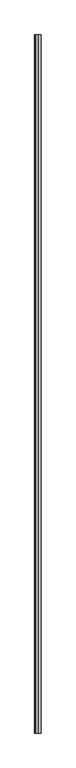
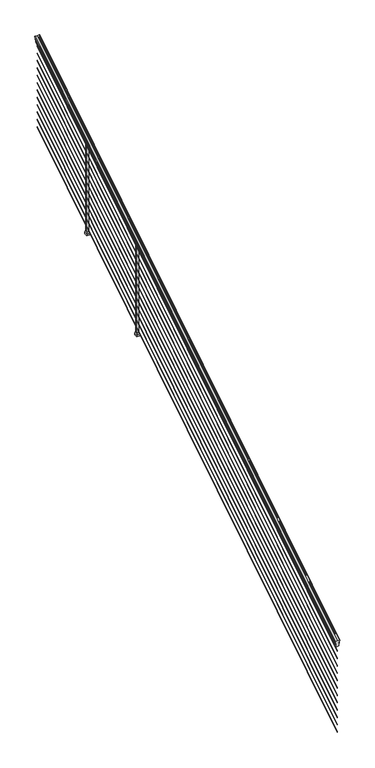
"""IFC4 building model written with IfcOpenShell, lengths in millimetres: railing geometry."""

from ifc_helpers import new_model, si_unit, frame, origin, place, context, project, spatial, polyline, ellipse_curve, outline, extrude, faceted_brep, source, transform, mapped, element, save
from ifc_brep_helpers import plane_surface, cylinder_surface, revolved_surface, advanced_brep


def railing_138e7e8f(model_context):
    return source(origin(), model_context, "Body", "SolidModel", [
        advanced_brep(
        [(8349.0704765, -103155.6628453, 1133.2070492), (8349.0704765, -103155.6628453, 1135.4335658), (8350.2006628, -103155.6628453, 1137.2758543), (8350.2006628, -103155.6628453, 1145.7876358), (8349.5514064, -103155.6628453, 1148.6572588), (8352.0514064, -103155.6628453, 1153.7635509), (8353.4607489, -103155.6628453, 1155.7442021), (8353.8626479, -103155.6628453, 1157.0469579), (8353.8626478, -103155.6628453, 1158.6274846), (8352.3092005, -103155.6628453, 1160.4593836), (8331.6376478, -103155.6628453, 1160.4593836), (8310.966095, -103155.6628453, 1160.4593836), (8309.4126478, -103155.6628453, 1158.6274846), (8309.4126478, -103155.6628453, 1157.0469579), (8309.8145467, -103155.6628453, 1155.7442021), (8311.2238891, -103155.6628453, 1153.7635509), (8313.7238891, -103155.6628453, 1148.6572588), (8313.0746327, -103155.6628453, 1145.7876358), (8313.0746327, -103155.6628453, 1137.2758543), (8314.204819, -103155.6628453, 1135.4335658), (8314.204819, -103155.6628453, 1133.2070492), (8316.7786478, -103155.6628453, 1133.2070492), (8316.7786478, -103155.6628453, 1120.825537), (8315.7626478, -103155.6628453, 1119.6274214), (8315.7626478, -103155.6628453, 1104.9), (8347.5126478, -103155.6628453, 1104.9), (8347.5126478, -103155.6628453, 1119.441318), (8346.4966478, -103155.6628453, 1120.6394336), (8346.4966478, -103155.6628453, 1133.2070492), (8349.0704765, -98278.8628453, 4181.2070492), (8346.4966478, -98278.8628453, 4181.2070492), (8346.4966478, -98278.8628453, 4168.6394336), (8347.5126478, -98278.8628453, 4167.441318), (8347.5126478, -98278.8628453, 4152.9), (8315.7626478, -98278.8628453, 4152.9), (8315.7626478, -98278.8628453, 4167.6274214), (8316.7786478, -98278.8628453, 4168.825537), (8316.7786478, -98278.8628453, 4181.2070492), (8314.204819, -98278.8628453, 4181.2070492), (8314.204819, -98278.8628453, 4183.4335658), (8313.0746327, -98278.8628453, 4185.2758543), (8313.0746327, -98278.8628453, 4193.7876358), (8313.7238891, -98278.8628453, 4196.6572588), (8311.2238891, -98278.8628453, 4201.7635509), (8309.8145467, -98278.8628453, 4203.7442021), (8309.4126477, -98278.8628453, 4205.0469579), (8309.4126478, -98278.8628453, 4206.6274846), (8310.966095, -98278.8628453, 4208.4593836), (8331.6376478, -98278.8628453, 4208.4593836), (8352.3092005, -98278.8628453, 4208.4593836), (8353.8626478, -98278.8628453, 4206.6274846), (8353.8626478, -98278.8628453, 4205.0469579), (8353.4607489, -98278.8628453, 4203.7442021), (8352.0514064, -98278.8628453, 4201.7635509), (8349.5514064, -98278.8628453, 4196.6572588), (8350.2006628, -98278.8628453, 4193.7876358), (8350.2006628, -98278.8628453, 4185.2758543), (8349.0704765, -98278.8628453, 4183.4335658)],
        [
            (0, 1),
            (1, 2, ellipse_curve(frame((8342.7557232, -103155.6628453, 1142.2239405), z_axis=(0.0, -1.0, 0.0), x_axis=(0.0, 0.0, -1.0)), 10.0777926, 8.545951)),
            (2, 3, ellipse_curve(frame((8343.1927862, -103155.6628453, 1141.5317451), z_axis=(0.0, -1.0, 0.0), x_axis=(0.0, 0.0, -1.0)), 9.2955186, 7.882584)),
            (3, 4, ellipse_curve(frame((8353.7061103, -103155.6628453, 1148.4275077), z_axis=(0.0, 1.0, 0.0), x_axis=(0.0, 0.0, 1.0)), 4.9048088, 4.1592695)),
            (4, 5, ellipse_curve(frame((8354.9934169, -103155.6628453, 1148.3563208), z_axis=(0.0, 1.0, 0.0), x_axis=(0.0, 0.0, 1.0)), 6.4245301, 5.4479907)),
            (5, 6, ellipse_curve(frame((8353.7602584, -103155.6628453, 1153.7602333), z_axis=(0.0, 1.0, 0.0), x_axis=(0.0, 0.0, 1.0)), 2.0151625, 1.7088543)),
            (6, 7, ellipse_curve(frame((8352.1433583, -103155.6628453, 1157.0469579), z_axis=(0.0, -1.0, 0.0), x_axis=(0.0, 0.0, -1.0)), 2.0274681, 1.7192895)),
            (7, 8),
            (8, 9, ellipse_curve(frame((8352.3092005, -103155.6628453, 1158.6274846), z_axis=(0.0, -1.0, 0.0), x_axis=(0.0, 0.0, -1.0)), 1.831899, 1.5534472)),
            (9, 10),
            (10, 11),
            (11, 12, ellipse_curve(frame((8310.966095, -103155.6628453, 1158.6274846), z_axis=(0.0, -1.0, 0.0), x_axis=(0.0, 0.0, -1.0)), 1.831899, 1.5534472)),
            (12, 13),
            (13, 14, ellipse_curve(frame((8311.1319372, -103155.6628453, 1157.0469579), z_axis=(0.0, -1.0, 0.0), x_axis=(0.0, 0.0, -1.0)), 2.0274681, 1.7192895)),
            (14, 15, ellipse_curve(frame((8309.5150371, -103155.6628453, 1153.7602333), z_axis=(0.0, 1.0, 0.0), x_axis=(0.0, 0.0, 1.0)), 2.0151625, 1.7088543)),
            (15, 16, ellipse_curve(frame((8308.2818787, -103155.6628453, 1148.3563208), z_axis=(0.0, 1.0, 0.0), x_axis=(0.0, 0.0, 1.0)), 6.4245301, 5.4479907)),
            (16, 17, ellipse_curve(frame((8309.5691852, -103155.6628453, 1148.4275077), z_axis=(0.0, 1.0, 0.0), x_axis=(0.0, 0.0, 1.0)), 4.9048088, 4.1592695)),
            (17, 18, ellipse_curve(frame((8320.0825093, -103155.6628453, 1141.5317451), z_axis=(0.0, -1.0, 0.0), x_axis=(0.0, 0.0, -1.0)), 9.2955186, 7.882584)),
            (18, 19, ellipse_curve(frame((8320.5195723, -103155.6628453, 1142.2239405), z_axis=(0.0, -1.0, 0.0), x_axis=(0.0, 0.0, -1.0)), 10.0777926, 8.545951)),
            (19, 20),
            (20, 21, ellipse_curve(frame((8315.4917334, -103155.6628453, 1133.2070492), z_axis=(0.0, -1.0, 0.0), x_axis=(0.0, 0.0, -1.0)), 1.5175907, 1.2869144)),
            (21, 22),
            (22, 23),
            (23, 24),
            (24, 25),
            (25, 26),
            (26, 27),
            (27, 28),
            (28, 0, ellipse_curve(frame((8347.7835621, -103155.6628453, 1133.2070492), z_axis=(0.0, -1.0, 0.0), x_axis=(0.0, 0.0, -1.0)), 1.5175907, 1.2869144)),
            (29, 30, ellipse_curve(frame((8347.7835621, -98278.8628453, 4181.2070492), z_axis=(0.0, 1.0, 0.0), x_axis=(0.0, 0.0, -1.0)), 1.5175907, 1.2869144)),
            (30, 31),
            (31, 32),
            (32, 33),
            (33, 34),
            (34, 35),
            (35, 36),
            (36, 37),
            (37, 38, ellipse_curve(frame((8315.4917334, -98278.8628453, 4181.2070492), z_axis=(0.0, 1.0, 0.0), x_axis=(0.0, 0.0, -1.0)), 1.5175907, 1.2869144)),
            (38, 39),
            (39, 40, ellipse_curve(frame((8320.5195723, -98278.8628453, 4190.2239405), z_axis=(0.0, 1.0, 0.0), x_axis=(0.0, 0.0, -1.0)), 10.0777926, 8.545951)),
            (40, 41, ellipse_curve(frame((8320.0825093, -98278.8628453, 4189.5317451), z_axis=(0.0, 1.0, 0.0), x_axis=(0.0, 0.0, -1.0)), 9.2955186, 7.882584)),
            (41, 42, ellipse_curve(frame((8309.5691852, -98278.8628453, 4196.4275077), z_axis=(0.0, -1.0, 0.0), x_axis=(0.0, 0.0, 1.0)), 4.9048088, 4.1592695)),
            (42, 43, ellipse_curve(frame((8308.2818787, -98278.8628453, 4196.3563208), z_axis=(0.0, -1.0, 0.0), x_axis=(0.0, 0.0, 1.0)), 6.4245301, 5.4479907)),
            (43, 44, ellipse_curve(frame((8309.5150371, -98278.8628453, 4201.7602333), z_axis=(0.0, -1.0, 0.0), x_axis=(0.0, 0.0, 1.0)), 2.0151625, 1.7088543)),
            (44, 45, ellipse_curve(frame((8311.1319372, -98278.8628453, 4205.0469579), z_axis=(0.0, 1.0, 0.0), x_axis=(0.0, 0.0, -1.0)), 2.0274681, 1.7192895)),
            (45, 46),
            (46, 47, ellipse_curve(frame((8310.966095, -98278.8628453, 4206.6274846), z_axis=(0.0, 1.0, 0.0), x_axis=(0.0, 0.0, -1.0)), 1.831899, 1.5534472)),
            (47, 48),
            (48, 49),
            (49, 50, ellipse_curve(frame((8352.3092005, -98278.8628453, 4206.6274846), z_axis=(0.0, 1.0, 0.0), x_axis=(0.0, 0.0, -1.0)), 1.831899, 1.5534472)),
            (50, 51),
            (51, 52, ellipse_curve(frame((8352.1433583, -98278.8628453, 4205.0469579), z_axis=(0.0, 1.0, 0.0), x_axis=(0.0, 0.0, -1.0)), 2.0274681, 1.7192895)),
            (52, 53, ellipse_curve(frame((8353.7602584, -98278.8628453, 4201.7602333), z_axis=(0.0, -1.0, 0.0), x_axis=(0.0, 0.0, 1.0)), 2.0151625, 1.7088543)),
            (53, 54, ellipse_curve(frame((8354.9934169, -98278.8628453, 4196.3563208), z_axis=(0.0, -1.0, 0.0), x_axis=(0.0, 0.0, 1.0)), 6.4245301, 5.4479907)),
            (54, 55, ellipse_curve(frame((8353.7061103, -98278.8628453, 4196.4275077), z_axis=(0.0, -1.0, 0.0), x_axis=(0.0, 0.0, 1.0)), 4.9048088, 4.1592695)),
            (55, 56, ellipse_curve(frame((8343.1927862, -98278.8628453, 4189.5317451), z_axis=(0.0, 1.0, 0.0), x_axis=(0.0, 0.0, -1.0)), 9.2955186, 7.882584)),
            (56, 57, ellipse_curve(frame((8342.7557232, -98278.8628453, 4190.2239405), z_axis=(0.0, 1.0, 0.0), x_axis=(0.0, 0.0, -1.0)), 10.0777926, 8.545951)),
            (57, 29),
            (28, 30),
            (29, 0),
            (27, 31),
            (26, 32),
            (25, 33),
            (24, 34),
            (23, 35),
            (22, 36),
            (21, 37),
            (20, 38),
            (19, 39),
            (18, 40),
            (17, 41),
            (16, 42),
            (15, 43),
            (14, 44),
            (13, 45),
            (12, 46),
            (11, 47),
            (10, 48),
            (9, 49),
            (8, 50),
            (7, 51),
            (6, 52),
            (5, 53),
            (4, 54),
            (3, 55),
            (2, 56),
            (1, 57),
        ],
        [
            plane_surface(frame((8331.6376478, -103155.6628453, 1104.9), z_axis=(0.0, -1.0, 0.0), x_axis=(0.0, 0.0, 1.0))),
            plane_surface(frame((8331.6376478, -98278.8628453, 4152.9), z_axis=(0.0, 1.0, 0.0), x_axis=(0.0, 0.0, 1.0))),
            cylinder_surface(frame((8347.7835621, -103168.3851146, 1125.2556309), z_axis=(0.0, -0.8479983040051253, -0.5299989400031204), x_axis=(-1.0, 0.0, 0.0)), 1.2869144),
            plane_surface(frame((8346.4966478, -103155.6628453, 1120.6394336), z_axis=(1.0000000000000002, 0.0, 0.0), x_axis=(0.0, 0.8479983040051253, 0.5299989400031204))),
            plane_surface(frame((8347.5126478, -103155.6628453, 1119.441318), z_axis=(0.7071067811865389, -0.374765844497894, 0.5996253511967226), x_axis=(0.0, 0.8479983040051253, 0.5299989400031204))),
            plane_surface(frame((8347.5126478, -103155.6628453, 1104.9), z_axis=(1.0, 0.0, 0.0), x_axis=(0.0, 0.8479983040051252, 0.5299989400031204))),
            plane_surface(frame((8315.7626478, -103155.6628453, 1104.9), z_axis=(0.0, 0.5299989400031204, -0.8479983040051252), x_axis=(0.0, 0.8479983040051252, 0.5299989400031204))),
            plane_surface(frame((8315.7626478, -103155.6628453, 1119.6274214), z_axis=(-1.0000000000000002, 0.0, 0.0), x_axis=(0.0, 0.8479983040051253, 0.5299989400031204))),
            plane_surface(frame((8316.7786478, -103155.6628453, 1120.825537), z_axis=(-0.7071067811865437, -0.37476584449788986, 0.5996253511967191), x_axis=(0.0, 0.8479983040051252, 0.5299989400031204))),
            plane_surface(frame((8316.7786478, -103155.6628453, 1133.2070492), z_axis=(-1.0, 0.0, 0.0), x_axis=(0.0, 0.8479983040051252, 0.5299989400031204))),
            cylinder_surface(frame((8315.4917334, -103168.3851146, 1125.2556309), z_axis=(0.0, -0.8479983040051253, -0.5299989400031204), x_axis=(1.0, 0.0, 0.0)), 1.2869144),
            plane_surface(frame((8314.204819, -103155.6628453, 1135.4335658), z_axis=(-1.0, 0.0, 0.0), x_axis=(0.0, 0.8479983040051252, 0.5299989400031204))),
            cylinder_surface(frame((8320.5195723, -103172.43765, 1131.7396876), z_axis=(0.0, -0.8479983040051253, -0.5299989400031204), x_axis=(1.0, 0.0, 0.0)), 8.545951),
            cylinder_surface(frame((8320.0825093, -103172.1265509, 1131.241929), z_axis=(0.0, -0.8479983040051253, -0.5299989400031204), x_axis=(1.0, 0.0, 0.0)), 7.882584),
            revolved_surface(polyline([(8313.7284547, -98276.65843685035, 4197.805262980558), (8313.7284547, -103157.86725374944, 1147.0497524191019)]), (8309.5691852, -103175.2257701, 1136.2006797), (0.0, 0.8479983040051253, 0.5299989400031204)),
            revolved_surface(polyline([(8313.7298694, -98275.97541603574, 4198.160964077185), (8313.7298694, -103158.5502745528, 1146.551677504493)]), (8308.2818787, -103175.193776, 1136.1494891), (0.0, 0.8479983040051253, 0.5299989400031204)),
            revolved_surface(polyline([(8311.2238914, -98277.95715429979, 4202.326290199658), (8311.2238914, -103156.56853632248, 1153.1941764359544)]), (8309.5150371, -103177.6225007, 1140.0354487), (0.0, 0.8479983040051253, 0.5299989400031204)),
            cylinder_surface(frame((8311.1319372, -103179.0996803, 1142.398936), z_axis=(0.0, -0.8479983040051253, -0.5299989400031204), x_axis=(1.0, 0.0, 0.0)), 1.7192895),
            plane_surface(frame((8309.4126478, -103155.6628453, 1158.6274846), z_axis=(-1.0, 0.0, 0.0), x_axis=(0.0, 0.8479983040051252, 0.5299989400031204))),
            cylinder_surface(frame((8310.966095, -103179.8100294, 1143.5354945), z_axis=(0.0, -0.8479983040051253, -0.5299989400031204), x_axis=(1.0, 0.0, 0.0)), 1.5534472),
            plane_surface(frame((8331.6376478, -103155.6628453, 1160.4593836), z_axis=(0.0, -0.5299989400031204, 0.8479983040051252), x_axis=(0.0, 0.8479983040051252, 0.5299989400031204))),
            plane_surface(frame((8352.3092005, -103155.6628453, 1160.4593836), z_axis=(0.0, -0.5299989400031204, 0.8479983040051252), x_axis=(0.0, 0.8479983040051252, 0.5299989400031204))),
            cylinder_surface(frame((8352.3092005, -103179.8100294, 1143.5354945), z_axis=(0.0, -0.8479983040051253, -0.5299989400031204), x_axis=(-1.0, 0.0, 0.0)), 1.5534472),
            plane_surface(frame((8353.8626478, -103155.6628453, 1157.0469579), z_axis=(1.0000000000000002, 0.0, 0.0), x_axis=(0.0, 0.8479983040051253, 0.5299989400031204))),
            cylinder_surface(frame((8352.1433583, -103179.0996803, 1142.398936), z_axis=(0.0, -0.8479983040051253, -0.5299989400031204), x_axis=(-1.0, 0.0, 0.0)), 1.7192895),
            revolved_surface(polyline([(8352.051404099999, -98277.95715429979, 4202.326290199658), (8352.051404099999, -103156.56853632248, 1153.1941764359544)]), (8353.7602584, -103177.6225007, 1140.0354487), (0.0, 0.8479983040051253, 0.5299989400031204)),
            revolved_surface(polyline([(8349.5454262, -98275.97541603574, 4198.160964077185), (8349.5454262, -103158.5502745528, 1146.551677504493)]), (8354.9934169, -103175.193776, 1136.1494891), (0.0, 0.8479983040051253, 0.5299989400031204)),
            revolved_surface(polyline([(8349.5468408, -98276.65843685035, 4197.805262980558), (8349.5468408, -103157.86725374944, 1147.0497524191019)]), (8353.7061103, -103175.2257701, 1136.2006797), (0.0, 0.8479983040051253, 0.5299989400031204)),
            cylinder_surface(frame((8343.1927862, -103172.1265509, 1131.241929), z_axis=(0.0, -0.8479983040051253, -0.5299989400031204), x_axis=(-1.0, 0.0, 0.0)), 7.882584),
            cylinder_surface(frame((8342.7557232, -103172.43765, 1131.7396876), z_axis=(0.0, -0.8479983040051253, -0.5299989400031204), x_axis=(-1.0, 0.0, 0.0)), 8.545951),
            plane_surface(frame((8349.0704765, -103155.6628453, 1133.2070492), z_axis=(1.0, 0.0, 0.0), x_axis=(0.0, 0.8479983040051252, 0.5299989400031204))),
        ],
        [
            (0, [[1, 2, 3, 4, 5, 6, 7, 8, 9, 10, 11, 12, 13, 14, 15, 16, 17, 18, 19, 20, 21, 22, 23, 24, 25, 26, 27, 28, 29]]),
            (1, [[30, 31, 32, 33, 34, 35, 36, 37, 38, 39, 40, 41, 42, 43, 44, 45, 46, 47, 48, 49, 50, 51, 52, 53, 54, 55, 56, 57, 58]]),
            (2, [[-29, 59, -30, 60]]),
            (3, [[-28, 61, -31, -59]]),
            (4, [[-27, 62, -32, -61]]),
            (5, [[-26, 63, -33, -62]]),
            (6, [[-25, 64, -34, -63]]),
            (7, [[-24, 65, -35, -64]]),
            (8, [[-23, 66, -36, -65]]),
            (9, [[-22, 67, -37, -66]]),
            (10, [[-21, 68, -38, -67]]),
            (11, [[-20, 69, -39, -68]]),
            (12, [[-19, 70, -40, -69]]),
            (13, [[-18, 71, -41, -70]]),
            (14, [[-17, 72, -42, -71]]),
            (15, [[-16, 73, -43, -72]]),
            (16, [[-15, 74, -44, -73]]),
            (17, [[-14, 75, -45, -74]]),
            (18, [[-13, 76, -46, -75]]),
            (19, [[-12, 77, -47, -76]]),
            (20, [[-11, 78, -48, -77]]),
            (21, [[-10, 79, -49, -78]]),
            (22, [[-9, 80, -50, -79]]),
            (23, [[-8, 81, -51, -80]]),
            (24, [[-7, 82, -52, -81]]),
            (25, [[-6, 83, -53, -82]]),
            (26, [[-5, 84, -54, -83]]),
            (27, [[-4, 85, -55, -84]]),
            (28, [[-3, 86, -56, -85]]),
            (29, [[-2, 87, -57, -86]]),
            (30, [[-1, -60, -58, -87]]),
        ],
    ),
        advanced_brep(
        [(8330.0501478, -103155.6628453, 255.524), (8331.6376478, -103155.6628453, 253.6519444), (8333.2251478, -103155.6628453, 255.524), (8331.6376478, -103155.6628453, 257.3960556), (8330.0501478, -98278.8628453, 3303.524), (8331.6376478, -98278.8628453, 3305.3960556), (8333.2251478, -98278.8628453, 3303.524), (8331.6376478, -98278.8628453, 3301.6519444)],
        [
            (0, 1, ellipse_curve(frame((8331.6376478, -103155.6628453, 255.524), z_axis=(0.0, -1.0, 0.0), x_axis=(0.0, 0.0, -1.0)), 1.8720556, 1.5875)),
            (1, 2, ellipse_curve(frame((8331.6376478, -103155.6628453, 255.524), z_axis=(0.0, -1.0, 0.0), x_axis=(0.0, 0.0, -1.0)), 1.8720556, 1.5875)),
            (2, 3, ellipse_curve(frame((8331.6376478, -103155.6628453, 255.524), z_axis=(0.0, -1.0, 0.0), x_axis=(0.0, 0.0, -1.0)), 1.8720556, 1.5875)),
            (3, 0, ellipse_curve(frame((8331.6376478, -103155.6628453, 255.524), z_axis=(0.0, -1.0, 0.0), x_axis=(0.0, 0.0, -1.0)), 1.8720556, 1.5875)),
            (4, 5, ellipse_curve(frame((8331.6376478, -98278.8628453, 3303.524), z_axis=(0.0, 1.0, 0.0), x_axis=(0.0, 0.0, -1.0)), 1.8720556, 1.5875)),
            (5, 6, ellipse_curve(frame((8331.6376478, -98278.8628453, 3303.524), z_axis=(0.0, 1.0, 0.0), x_axis=(0.0, 0.0, -1.0)), 1.8720556, 1.5875)),
            (6, 7, ellipse_curve(frame((8331.6376478, -98278.8628453, 3303.524), z_axis=(0.0, 1.0, 0.0), x_axis=(0.0, 0.0, -1.0)), 1.8720556, 1.5875)),
            (7, 4, ellipse_curve(frame((8331.6376478, -98278.8628453, 3303.524), z_axis=(0.0, 1.0, 0.0), x_axis=(0.0, 0.0, -1.0)), 1.8720556, 1.5875)),
            (3, 5),
            (4, 0),
            (2, 6),
            (1, 7),
        ],
        [
            plane_surface(frame((8331.6376478, -103155.6628453, 255.524), z_axis=(0.0, -1.0, 0.0), x_axis=(0.0, 0.0, 1.0))),
            plane_surface(frame((8331.6376478, -98278.8628453, 3303.524), z_axis=(0.0, 1.0, 0.0), x_axis=(0.0, 0.0, 1.0))),
            cylinder_surface(frame((8331.6376478, -103155.6628453, 255.524), z_axis=(0.0, -0.8479983040051253, -0.5299989400031204), x_axis=(-1.0, 0.0, 0.0)), 1.5875),
        ],
        [
            (0, [[1, 2, 3, 4]]),
            (1, [[5, 6, 7, 8]]),
            (2, [[-4, 9, -5, 10]]),
            (2, [[-3, 11, -6, -9]]),
            (2, [[-2, 12, -7, -11]]),
            (2, [[-1, -10, -8, -12]]),
        ],
    ),
        advanced_brep(
        [(8330.0501478, -103155.6628453, 328.676), (8331.6376478, -103155.6628453, 326.8039444), (8333.2251478, -103155.6628453, 328.676), (8331.6376478, -103155.6628453, 330.5480556), (8330.0501478, -98278.8628453, 3376.676), (8331.6376478, -98278.8628453, 3378.5480556), (8333.2251478, -98278.8628453, 3376.676), (8331.6376478, -98278.8628453, 3374.8039444)],
        [
            (0, 1, ellipse_curve(frame((8331.6376478, -103155.6628453, 328.676), z_axis=(0.0, -1.0, 0.0), x_axis=(0.0, 0.0, -1.0)), 1.8720556, 1.5875)),
            (1, 2, ellipse_curve(frame((8331.6376478, -103155.6628453, 328.676), z_axis=(0.0, -1.0, 0.0), x_axis=(0.0, 0.0, -1.0)), 1.8720556, 1.5875)),
            (2, 3, ellipse_curve(frame((8331.6376478, -103155.6628453, 328.676), z_axis=(0.0, -1.0, 0.0), x_axis=(0.0, 0.0, -1.0)), 1.8720556, 1.5875)),
            (3, 0, ellipse_curve(frame((8331.6376478, -103155.6628453, 328.676), z_axis=(0.0, -1.0, 0.0), x_axis=(0.0, 0.0, -1.0)), 1.8720556, 1.5875)),
            (4, 5, ellipse_curve(frame((8331.6376478, -98278.8628453, 3376.676), z_axis=(0.0, 1.0, 0.0), x_axis=(0.0, 0.0, -1.0)), 1.8720556, 1.5875)),
            (5, 6, ellipse_curve(frame((8331.6376478, -98278.8628453, 3376.676), z_axis=(0.0, 1.0, 0.0), x_axis=(0.0, 0.0, -1.0)), 1.8720556, 1.5875)),
            (6, 7, ellipse_curve(frame((8331.6376478, -98278.8628453, 3376.676), z_axis=(0.0, 1.0, 0.0), x_axis=(0.0, 0.0, -1.0)), 1.8720556, 1.5875)),
            (7, 4, ellipse_curve(frame((8331.6376478, -98278.8628453, 3376.676), z_axis=(0.0, 1.0, 0.0), x_axis=(0.0, 0.0, -1.0)), 1.8720556, 1.5875)),
            (0, 4),
            (7, 1),
            (6, 2),
            (5, 3),
        ],
        [
            plane_surface(frame((8331.6376478, -103155.6628453, 328.676), z_axis=(0.0, -1.0, 0.0), x_axis=(0.0, 0.0, 1.0))),
            plane_surface(frame((8331.6376478, -98278.8628453, 3376.676), z_axis=(0.0, 1.0, 0.0), x_axis=(0.0, 0.0, 1.0))),
            cylinder_surface(frame((8331.6376478, -103155.6628453, 328.676), z_axis=(0.0, -0.8479983040051253, -0.5299989400031204), x_axis=(-1.0, 0.0, 0.0)), 1.5875),
        ],
        [
            (0, [[1, 2, 3, 4]]),
            (1, [[5, 6, 7, 8]]),
            (2, [[-1, 9, -8, 10]]),
            (2, [[-2, -10, -7, 11]]),
            (2, [[-3, -11, -6, 12]]),
            (2, [[-4, -12, -5, -9]]),
        ],
    ),
        advanced_brep(
        [(8330.0501478, -103155.6628453, 401.574), (8331.6376478, -103155.6628453, 399.7019444), (8333.2251478, -103155.6628453, 401.574), (8331.6376478, -103155.6628453, 403.4460556), (8330.0501478, -98278.8628453, 3449.574), (8331.6376478, -98278.8628453, 3451.4460556), (8333.2251478, -98278.8628453, 3449.574), (8331.6376478, -98278.8628453, 3447.7019444)],
        [
            (0, 1, ellipse_curve(frame((8331.6376478, -103155.6628453, 401.574), z_axis=(0.0, -1.0, 0.0), x_axis=(0.0, 0.0, -1.0)), 1.8720556, 1.5875)),
            (1, 2, ellipse_curve(frame((8331.6376478, -103155.6628453, 401.574), z_axis=(0.0, -1.0, 0.0), x_axis=(0.0, 0.0, -1.0)), 1.8720556, 1.5875)),
            (2, 3, ellipse_curve(frame((8331.6376478, -103155.6628453, 401.574), z_axis=(0.0, -1.0, 0.0), x_axis=(0.0, 0.0, -1.0)), 1.8720556, 1.5875)),
            (3, 0, ellipse_curve(frame((8331.6376478, -103155.6628453, 401.574), z_axis=(0.0, -1.0, 0.0), x_axis=(0.0, 0.0, -1.0)), 1.8720556, 1.5875)),
            (4, 5, ellipse_curve(frame((8331.6376478, -98278.8628453, 3449.574), z_axis=(0.0, 1.0, 0.0), x_axis=(0.0, 0.0, -1.0)), 1.8720556, 1.5875)),
            (5, 6, ellipse_curve(frame((8331.6376478, -98278.8628453, 3449.574), z_axis=(0.0, 1.0, 0.0), x_axis=(0.0, 0.0, -1.0)), 1.8720556, 1.5875)),
            (6, 7, ellipse_curve(frame((8331.6376478, -98278.8628453, 3449.574), z_axis=(0.0, 1.0, 0.0), x_axis=(0.0, 0.0, -1.0)), 1.8720556, 1.5875)),
            (7, 4, ellipse_curve(frame((8331.6376478, -98278.8628453, 3449.574), z_axis=(0.0, 1.0, 0.0), x_axis=(0.0, 0.0, -1.0)), 1.8720556, 1.5875)),
            (0, 4),
            (7, 1),
            (6, 2),
            (5, 3),
        ],
        [
            plane_surface(frame((8331.6376478, -103155.6628453, 401.574), z_axis=(0.0, -1.0, 0.0), x_axis=(0.0, 0.0, 1.0))),
            plane_surface(frame((8331.6376478, -98278.8628453, 3449.574), z_axis=(0.0, 1.0, 0.0), x_axis=(0.0, 0.0, 1.0))),
            cylinder_surface(frame((8331.6376478, -103155.6628453, 401.574), z_axis=(0.0, -0.8479983040051253, -0.5299989400031204), x_axis=(-1.0, 0.0, 0.0)), 1.5875),
        ],
        [
            (0, [[1, 2, 3, 4]]),
            (1, [[5, 6, 7, 8]]),
            (2, [[-1, 9, -8, 10]]),
            (2, [[-2, -10, -7, 11]]),
            (2, [[-3, -11, -6, 12]]),
            (2, [[-4, -12, -5, -9]]),
        ],
    ),
        advanced_brep(
        [(8330.0501478, -103155.6628453, 474.726), (8331.6376478, -103155.6628453, 472.8539444), (8333.2251478, -103155.6628453, 474.726), (8331.6376478, -103155.6628453, 476.5980556), (8330.0501478, -98278.8628453, 3522.726), (8331.6376478, -98278.8628453, 3524.5980556), (8333.2251478, -98278.8628453, 3522.726), (8331.6376478, -98278.8628453, 3520.8539444)],
        [
            (0, 1, ellipse_curve(frame((8331.6376478, -103155.6628453, 474.726), z_axis=(0.0, -1.0, 0.0), x_axis=(0.0, 0.0, -1.0)), 1.8720556, 1.5875)),
            (1, 2, ellipse_curve(frame((8331.6376478, -103155.6628453, 474.726), z_axis=(0.0, -1.0, 0.0), x_axis=(0.0, 0.0, -1.0)), 1.8720556, 1.5875)),
            (2, 3, ellipse_curve(frame((8331.6376478, -103155.6628453, 474.726), z_axis=(0.0, -1.0, 0.0), x_axis=(0.0, 0.0, -1.0)), 1.8720556, 1.5875)),
            (3, 0, ellipse_curve(frame((8331.6376478, -103155.6628453, 474.726), z_axis=(0.0, -1.0, 0.0), x_axis=(0.0, 0.0, -1.0)), 1.8720556, 1.5875)),
            (4, 5, ellipse_curve(frame((8331.6376478, -98278.8628453, 3522.726), z_axis=(0.0, 1.0, 0.0), x_axis=(0.0, 0.0, -1.0)), 1.8720556, 1.5875)),
            (5, 6, ellipse_curve(frame((8331.6376478, -98278.8628453, 3522.726), z_axis=(0.0, 1.0, 0.0), x_axis=(0.0, 0.0, -1.0)), 1.8720556, 1.5875)),
            (6, 7, ellipse_curve(frame((8331.6376478, -98278.8628453, 3522.726), z_axis=(0.0, 1.0, 0.0), x_axis=(0.0, 0.0, -1.0)), 1.8720556, 1.5875)),
            (7, 4, ellipse_curve(frame((8331.6376478, -98278.8628453, 3522.726), z_axis=(0.0, 1.0, 0.0), x_axis=(0.0, 0.0, -1.0)), 1.8720556, 1.5875)),
            (0, 4),
            (7, 1),
            (6, 2),
            (5, 3),
        ],
        [
            plane_surface(frame((8331.6376478, -103155.6628453, 474.726), z_axis=(0.0, -1.0, 0.0), x_axis=(0.0, 0.0, 1.0))),
            plane_surface(frame((8331.6376478, -98278.8628453, 3522.726), z_axis=(0.0, 1.0, 0.0), x_axis=(0.0, 0.0, 1.0))),
            cylinder_surface(frame((8331.6376478, -103155.6628453, 474.726), z_axis=(0.0, -0.8479983040051253, -0.5299989400031204), x_axis=(-1.0, 0.0, 0.0)), 1.5875),
        ],
        [
            (0, [[1, 2, 3, 4]]),
            (1, [[5, 6, 7, 8]]),
            (2, [[-1, 9, -8, 10]]),
            (2, [[-2, -10, -7, 11]]),
            (2, [[-3, -11, -6, 12]]),
            (2, [[-4, -12, -5, -9]]),
        ],
    ),
        advanced_brep(
        [(8330.0501478, -103155.6628453, 547.624), (8331.6376478, -103155.6628453, 545.7519444), (8333.2251478, -103155.6628453, 547.624), (8331.6376478, -103155.6628453, 549.4960556), (8330.0501478, -98278.8628453, 3595.624), (8331.6376478, -98278.8628453, 3597.4960556), (8333.2251478, -98278.8628453, 3595.624), (8331.6376478, -98278.8628453, 3593.7519444)],
        [
            (0, 1, ellipse_curve(frame((8331.6376478, -103155.6628453, 547.624), z_axis=(0.0, -1.0, 0.0), x_axis=(0.0, 0.0, -1.0)), 1.8720556, 1.5875)),
            (1, 2, ellipse_curve(frame((8331.6376478, -103155.6628453, 547.624), z_axis=(0.0, -1.0, 0.0), x_axis=(0.0, 0.0, -1.0)), 1.8720556, 1.5875)),
            (2, 3, ellipse_curve(frame((8331.6376478, -103155.6628453, 547.624), z_axis=(0.0, -1.0, 0.0), x_axis=(0.0, 0.0, -1.0)), 1.8720556, 1.5875)),
            (3, 0, ellipse_curve(frame((8331.6376478, -103155.6628453, 547.624), z_axis=(0.0, -1.0, 0.0), x_axis=(0.0, 0.0, -1.0)), 1.8720556, 1.5875)),
            (4, 5, ellipse_curve(frame((8331.6376478, -98278.8628453, 3595.624), z_axis=(0.0, 1.0, 0.0), x_axis=(0.0, 0.0, -1.0)), 1.8720556, 1.5875)),
            (5, 6, ellipse_curve(frame((8331.6376478, -98278.8628453, 3595.624), z_axis=(0.0, 1.0, 0.0), x_axis=(0.0, 0.0, -1.0)), 1.8720556, 1.5875)),
            (6, 7, ellipse_curve(frame((8331.6376478, -98278.8628453, 3595.624), z_axis=(0.0, 1.0, 0.0), x_axis=(0.0, 0.0, -1.0)), 1.8720556, 1.5875)),
            (7, 4, ellipse_curve(frame((8331.6376478, -98278.8628453, 3595.624), z_axis=(0.0, 1.0, 0.0), x_axis=(0.0, 0.0, -1.0)), 1.8720556, 1.5875)),
            (0, 4),
            (7, 1),
            (6, 2),
            (5, 3),
        ],
        [
            plane_surface(frame((8331.6376478, -103155.6628453, 547.624), z_axis=(0.0, -1.0, 0.0), x_axis=(0.0, 0.0, 1.0))),
            plane_surface(frame((8331.6376478, -98278.8628453, 3595.624), z_axis=(0.0, 1.0, 0.0), x_axis=(0.0, 0.0, 1.0))),
            cylinder_surface(frame((8331.6376478, -103155.6628453, 547.624), z_axis=(0.0, -0.8479983040051253, -0.5299989400031204), x_axis=(-1.0, 0.0, 0.0)), 1.5875),
        ],
        [
            (0, [[1, 2, 3, 4]]),
            (1, [[5, 6, 7, 8]]),
            (2, [[-1, 9, -8, 10]]),
            (2, [[-2, -10, -7, 11]]),
            (2, [[-3, -11, -6, 12]]),
            (2, [[-4, -12, -5, -9]]),
        ],
    ),
        advanced_brep(
        [(8330.0501478, -103155.6628453, 620.776), (8331.6376478, -103155.6628453, 618.9039444), (8333.2251478, -103155.6628453, 620.776), (8331.6376478, -103155.6628453, 622.6480556), (8330.0501478, -98278.8628453, 3668.776), (8331.6376478, -98278.8628453, 3670.6480556), (8333.2251478, -98278.8628453, 3668.776), (8331.6376478, -98278.8628453, 3666.9039444)],
        [
            (0, 1, ellipse_curve(frame((8331.6376478, -103155.6628453, 620.776), z_axis=(0.0, -1.0, 0.0), x_axis=(0.0, 0.0, -1.0)), 1.8720556, 1.5875)),
            (1, 2, ellipse_curve(frame((8331.6376478, -103155.6628453, 620.776), z_axis=(0.0, -1.0, 0.0), x_axis=(0.0, 0.0, -1.0)), 1.8720556, 1.5875)),
            (2, 3, ellipse_curve(frame((8331.6376478, -103155.6628453, 620.776), z_axis=(0.0, -1.0, 0.0), x_axis=(0.0, 0.0, -1.0)), 1.8720556, 1.5875)),
            (3, 0, ellipse_curve(frame((8331.6376478, -103155.6628453, 620.776), z_axis=(0.0, -1.0, 0.0), x_axis=(0.0, 0.0, -1.0)), 1.8720556, 1.5875)),
            (4, 5, ellipse_curve(frame((8331.6376478, -98278.8628453, 3668.776), z_axis=(0.0, 1.0, 0.0), x_axis=(0.0, 0.0, -1.0)), 1.8720556, 1.5875)),
            (5, 6, ellipse_curve(frame((8331.6376478, -98278.8628453, 3668.776), z_axis=(0.0, 1.0, 0.0), x_axis=(0.0, 0.0, -1.0)), 1.8720556, 1.5875)),
            (6, 7, ellipse_curve(frame((8331.6376478, -98278.8628453, 3668.776), z_axis=(0.0, 1.0, 0.0), x_axis=(0.0, 0.0, -1.0)), 1.8720556, 1.5875)),
            (7, 4, ellipse_curve(frame((8331.6376478, -98278.8628453, 3668.776), z_axis=(0.0, 1.0, 0.0), x_axis=(0.0, 0.0, -1.0)), 1.8720556, 1.5875)),
            (0, 4),
            (7, 1),
            (6, 2),
            (5, 3),
        ],
        [
            plane_surface(frame((8331.6376478, -103155.6628453, 620.776), z_axis=(0.0, -1.0, 0.0), x_axis=(0.0, 0.0, 1.0))),
            plane_surface(frame((8331.6376478, -98278.8628453, 3668.776), z_axis=(0.0, 1.0, 0.0), x_axis=(0.0, 0.0, 1.0))),
            cylinder_surface(frame((8331.6376478, -103155.6628453, 620.776), z_axis=(0.0, -0.8479983040051253, -0.5299989400031204), x_axis=(-1.0, 0.0, 0.0)), 1.5875),
        ],
        [
            (0, [[1, 2, 3, 4]]),
            (1, [[5, 6, 7, 8]]),
            (2, [[-1, 9, -8, 10]]),
            (2, [[-2, -10, -7, 11]]),
            (2, [[-3, -11, -6, 12]]),
            (2, [[-4, -12, -5, -9]]),
        ],
    ),
        advanced_brep(
        [(8330.0501478, -103155.6628453, 693.674), (8331.6376478, -103155.6628453, 691.8019444), (8333.2251478, -103155.6628453, 693.674), (8331.6376478, -103155.6628453, 695.5460556), (8330.0501478, -98278.8628453, 3741.674), (8331.6376478, -98278.8628453, 3743.5460556), (8333.2251478, -98278.8628453, 3741.674), (8331.6376478, -98278.8628453, 3739.8019444)],
        [
            (0, 1, ellipse_curve(frame((8331.6376478, -103155.6628453, 693.674), z_axis=(0.0, -1.0, 0.0), x_axis=(0.0, 0.0, -1.0)), 1.8720556, 1.5875)),
            (1, 2, ellipse_curve(frame((8331.6376478, -103155.6628453, 693.674), z_axis=(0.0, -1.0, 0.0), x_axis=(0.0, 0.0, -1.0)), 1.8720556, 1.5875)),
            (2, 3, ellipse_curve(frame((8331.6376478, -103155.6628453, 693.674), z_axis=(0.0, -1.0, 0.0), x_axis=(0.0, 0.0, -1.0)), 1.8720556, 1.5875)),
            (3, 0, ellipse_curve(frame((8331.6376478, -103155.6628453, 693.674), z_axis=(0.0, -1.0, 0.0), x_axis=(0.0, 0.0, -1.0)), 1.8720556, 1.5875)),
            (4, 5, ellipse_curve(frame((8331.6376478, -98278.8628453, 3741.674), z_axis=(0.0, 1.0, 0.0), x_axis=(0.0, 0.0, -1.0)), 1.8720556, 1.5875)),
            (5, 6, ellipse_curve(frame((8331.6376478, -98278.8628453, 3741.674), z_axis=(0.0, 1.0, 0.0), x_axis=(0.0, 0.0, -1.0)), 1.8720556, 1.5875)),
            (6, 7, ellipse_curve(frame((8331.6376478, -98278.8628453, 3741.674), z_axis=(0.0, 1.0, 0.0), x_axis=(0.0, 0.0, -1.0)), 1.8720556, 1.5875)),
            (7, 4, ellipse_curve(frame((8331.6376478, -98278.8628453, 3741.674), z_axis=(0.0, 1.0, 0.0), x_axis=(0.0, 0.0, -1.0)), 1.8720556, 1.5875)),
            (0, 4),
            (7, 1),
            (6, 2),
            (5, 3),
        ],
        [
            plane_surface(frame((8331.6376478, -103155.6628453, 693.674), z_axis=(0.0, -1.0, 0.0), x_axis=(0.0, 0.0, 1.0))),
            plane_surface(frame((8331.6376478, -98278.8628453, 3741.674), z_axis=(0.0, 1.0, 0.0), x_axis=(0.0, 0.0, 1.0))),
            cylinder_surface(frame((8331.6376478, -103155.6628453, 693.674), z_axis=(0.0, -0.8479983040051253, -0.5299989400031204), x_axis=(-1.0, 0.0, 0.0)), 1.5875),
        ],
        [
            (0, [[1, 2, 3, 4]]),
            (1, [[5, 6, 7, 8]]),
            (2, [[-1, 9, -8, 10]]),
            (2, [[-2, -10, -7, 11]]),
            (2, [[-3, -11, -6, 12]]),
            (2, [[-4, -12, -5, -9]]),
        ],
    ),
        advanced_brep(
        [(8330.0501478, -103155.6628453, 766.826), (8331.6376478, -103155.6628453, 764.9539444), (8333.2251478, -103155.6628453, 766.826), (8331.6376478, -103155.6628453, 768.6980556), (8330.0501478, -98278.8628453, 3814.826), (8331.6376478, -98278.8628453, 3816.6980556), (8333.2251478, -98278.8628453, 3814.826), (8331.6376478, -98278.8628453, 3812.9539444)],
        [
            (0, 1, ellipse_curve(frame((8331.6376478, -103155.6628453, 766.826), z_axis=(0.0, -1.0, 0.0), x_axis=(0.0, 0.0, -1.0)), 1.8720556, 1.5875)),
            (1, 2, ellipse_curve(frame((8331.6376478, -103155.6628453, 766.826), z_axis=(0.0, -1.0, 0.0), x_axis=(0.0, 0.0, -1.0)), 1.8720556, 1.5875)),
            (2, 3, ellipse_curve(frame((8331.6376478, -103155.6628453, 766.826), z_axis=(0.0, -1.0, 0.0), x_axis=(0.0, 0.0, -1.0)), 1.8720556, 1.5875)),
            (3, 0, ellipse_curve(frame((8331.6376478, -103155.6628453, 766.826), z_axis=(0.0, -1.0, 0.0), x_axis=(0.0, 0.0, -1.0)), 1.8720556, 1.5875)),
            (4, 5, ellipse_curve(frame((8331.6376478, -98278.8628453, 3814.826), z_axis=(0.0, 1.0, 0.0), x_axis=(0.0, 0.0, -1.0)), 1.8720556, 1.5875)),
            (5, 6, ellipse_curve(frame((8331.6376478, -98278.8628453, 3814.826), z_axis=(0.0, 1.0, 0.0), x_axis=(0.0, 0.0, -1.0)), 1.8720556, 1.5875)),
            (6, 7, ellipse_curve(frame((8331.6376478, -98278.8628453, 3814.826), z_axis=(0.0, 1.0, 0.0), x_axis=(0.0, 0.0, -1.0)), 1.8720556, 1.5875)),
            (7, 4, ellipse_curve(frame((8331.6376478, -98278.8628453, 3814.826), z_axis=(0.0, 1.0, 0.0), x_axis=(0.0, 0.0, -1.0)), 1.8720556, 1.5875)),
            (0, 4),
            (7, 1),
            (6, 2),
            (5, 3),
        ],
        [
            plane_surface(frame((8331.6376478, -103155.6628453, 766.826), z_axis=(0.0, -1.0, 0.0), x_axis=(0.0, 0.0, 1.0))),
            plane_surface(frame((8331.6376478, -98278.8628453, 3814.826), z_axis=(0.0, 1.0, 0.0), x_axis=(0.0, 0.0, 1.0))),
            cylinder_surface(frame((8331.6376478, -103155.6628453, 766.826), z_axis=(0.0, -0.8479983040051253, -0.5299989400031204), x_axis=(-1.0, 0.0, 0.0)), 1.5875),
        ],
        [
            (0, [[1, 2, 3, 4]]),
            (1, [[5, 6, 7, 8]]),
            (2, [[-1, 9, -8, 10]]),
            (2, [[-2, -10, -7, 11]]),
            (2, [[-3, -11, -6, 12]]),
            (2, [[-4, -12, -5, -9]]),
        ],
    ),
        advanced_brep(
        [(8330.0501478, -103155.6628453, 839.724), (8331.6376478, -103155.6628453, 837.8519444), (8333.2251478, -103155.6628453, 839.724), (8331.6376478, -103155.6628453, 841.5960556), (8330.0501478, -98278.8628453, 3887.724), (8331.6376478, -98278.8628453, 3889.5960556), (8333.2251478, -98278.8628453, 3887.724), (8331.6376478, -98278.8628453, 3885.8519444)],
        [
            (0, 1, ellipse_curve(frame((8331.6376478, -103155.6628453, 839.724), z_axis=(0.0, -1.0, 0.0), x_axis=(0.0, 0.0, -1.0)), 1.8720556, 1.5875)),
            (1, 2, ellipse_curve(frame((8331.6376478, -103155.6628453, 839.724), z_axis=(0.0, -1.0, 0.0), x_axis=(0.0, 0.0, -1.0)), 1.8720556, 1.5875)),
            (2, 3, ellipse_curve(frame((8331.6376478, -103155.6628453, 839.724), z_axis=(0.0, -1.0, 0.0), x_axis=(0.0, 0.0, -1.0)), 1.8720556, 1.5875)),
            (3, 0, ellipse_curve(frame((8331.6376478, -103155.6628453, 839.724), z_axis=(0.0, -1.0, 0.0), x_axis=(0.0, 0.0, -1.0)), 1.8720556, 1.5875)),
            (4, 5, ellipse_curve(frame((8331.6376478, -98278.8628453, 3887.724), z_axis=(0.0, 1.0, 0.0), x_axis=(0.0, 0.0, -1.0)), 1.8720556, 1.5875)),
            (5, 6, ellipse_curve(frame((8331.6376478, -98278.8628453, 3887.724), z_axis=(0.0, 1.0, 0.0), x_axis=(0.0, 0.0, -1.0)), 1.8720556, 1.5875)),
            (6, 7, ellipse_curve(frame((8331.6376478, -98278.8628453, 3887.724), z_axis=(0.0, 1.0, 0.0), x_axis=(0.0, 0.0, -1.0)), 1.8720556, 1.5875)),
            (7, 4, ellipse_curve(frame((8331.6376478, -98278.8628453, 3887.724), z_axis=(0.0, 1.0, 0.0), x_axis=(0.0, 0.0, -1.0)), 1.8720556, 1.5875)),
            (0, 4),
            (7, 1),
            (6, 2),
            (5, 3),
        ],
        [
            plane_surface(frame((8331.6376478, -103155.6628453, 839.724), z_axis=(0.0, -1.0, 0.0), x_axis=(0.0, 0.0, 1.0))),
            plane_surface(frame((8331.6376478, -98278.8628453, 3887.724), z_axis=(0.0, 1.0, 0.0), x_axis=(0.0, 0.0, 1.0))),
            cylinder_surface(frame((8331.6376478, -103155.6628453, 839.724), z_axis=(0.0, -0.8479983040051253, -0.5299989400031204), x_axis=(-1.0, 0.0, 0.0)), 1.5875),
        ],
        [
            (0, [[1, 2, 3, 4]]),
            (1, [[5, 6, 7, 8]]),
            (2, [[-1, 9, -8, 10]]),
            (2, [[-2, -10, -7, 11]]),
            (2, [[-3, -11, -6, 12]]),
            (2, [[-4, -12, -5, -9]]),
        ],
    ),
        advanced_brep(
        [(8330.0501478, -103155.6628453, 912.876), (8331.6376478, -103155.6628453, 911.0039444), (8333.2251478, -103155.6628453, 912.876), (8331.6376478, -103155.6628453, 914.7480556), (8330.0501478, -98278.8628453, 3960.876), (8331.6376478, -98278.8628453, 3962.7480556), (8333.2251478, -98278.8628453, 3960.876), (8331.6376478, -98278.8628453, 3959.0039444)],
        [
            (0, 1, ellipse_curve(frame((8331.6376478, -103155.6628453, 912.876), z_axis=(0.0, -1.0, 0.0), x_axis=(0.0, 0.0, -1.0)), 1.8720556, 1.5875)),
            (1, 2, ellipse_curve(frame((8331.6376478, -103155.6628453, 912.876), z_axis=(0.0, -1.0, 0.0), x_axis=(0.0, 0.0, -1.0)), 1.8720556, 1.5875)),
            (2, 3, ellipse_curve(frame((8331.6376478, -103155.6628453, 912.876), z_axis=(0.0, -1.0, 0.0), x_axis=(0.0, 0.0, -1.0)), 1.8720556, 1.5875)),
            (3, 0, ellipse_curve(frame((8331.6376478, -103155.6628453, 912.876), z_axis=(0.0, -1.0, 0.0), x_axis=(0.0, 0.0, -1.0)), 1.8720556, 1.5875)),
            (4, 5, ellipse_curve(frame((8331.6376478, -98278.8628453, 3960.876), z_axis=(0.0, 1.0, 0.0), x_axis=(0.0, 0.0, -1.0)), 1.8720556, 1.5875)),
            (5, 6, ellipse_curve(frame((8331.6376478, -98278.8628453, 3960.876), z_axis=(0.0, 1.0, 0.0), x_axis=(0.0, 0.0, -1.0)), 1.8720556, 1.5875)),
            (6, 7, ellipse_curve(frame((8331.6376478, -98278.8628453, 3960.876), z_axis=(0.0, 1.0, 0.0), x_axis=(0.0, 0.0, -1.0)), 1.8720556, 1.5875)),
            (7, 4, ellipse_curve(frame((8331.6376478, -98278.8628453, 3960.876), z_axis=(0.0, 1.0, 0.0), x_axis=(0.0, 0.0, -1.0)), 1.8720556, 1.5875)),
            (0, 4),
            (7, 1),
            (6, 2),
            (5, 3),
        ],
        [
            plane_surface(frame((8331.6376478, -103155.6628453, 912.876), z_axis=(0.0, -1.0, 0.0), x_axis=(0.0, 0.0, 1.0))),
            plane_surface(frame((8331.6376478, -98278.8628453, 3960.876), z_axis=(0.0, 1.0, 0.0), x_axis=(0.0, 0.0, 1.0))),
            cylinder_surface(frame((8331.6376478, -103155.6628453, 912.876), z_axis=(0.0, -0.8479983040051253, -0.5299989400031204), x_axis=(-1.0, 0.0, 0.0)), 1.5875),
        ],
        [
            (0, [[1, 2, 3, 4]]),
            (1, [[5, 6, 7, 8]]),
            (2, [[-1, 9, -8, 10]]),
            (2, [[-2, -10, -7, 11]]),
            (2, [[-3, -11, -6, 12]]),
            (2, [[-4, -12, -5, -9]]),
        ],
    ),
        advanced_brep(
        [(8330.0501478, -103155.6628453, 985.774), (8331.6376478, -103155.6628453, 983.9019444), (8333.2251478, -103155.6628453, 985.774), (8331.6376478, -103155.6628453, 987.6460556), (8330.0501478, -98278.8628453, 4033.774), (8331.6376478, -98278.8628453, 4035.6460556), (8333.2251478, -98278.8628453, 4033.774), (8331.6376478, -98278.8628453, 4031.9019444)],
        [
            (0, 1, ellipse_curve(frame((8331.6376478, -103155.6628453, 985.774), z_axis=(0.0, -1.0, 0.0), x_axis=(0.0, 0.0, -1.0)), 1.8720556, 1.5875)),
            (1, 2, ellipse_curve(frame((8331.6376478, -103155.6628453, 985.774), z_axis=(0.0, -1.0, 0.0), x_axis=(0.0, 0.0, -1.0)), 1.8720556, 1.5875)),
            (2, 3, ellipse_curve(frame((8331.6376478, -103155.6628453, 985.774), z_axis=(0.0, -1.0, 0.0), x_axis=(0.0, 0.0, -1.0)), 1.8720556, 1.5875)),
            (3, 0, ellipse_curve(frame((8331.6376478, -103155.6628453, 985.774), z_axis=(0.0, -1.0, 0.0), x_axis=(0.0, 0.0, -1.0)), 1.8720556, 1.5875)),
            (4, 5, ellipse_curve(frame((8331.6376478, -98278.8628453, 4033.774), z_axis=(0.0, 1.0, 0.0), x_axis=(0.0, 0.0, -1.0)), 1.8720556, 1.5875)),
            (5, 6, ellipse_curve(frame((8331.6376478, -98278.8628453, 4033.774), z_axis=(0.0, 1.0, 0.0), x_axis=(0.0, 0.0, -1.0)), 1.8720556, 1.5875)),
            (6, 7, ellipse_curve(frame((8331.6376478, -98278.8628453, 4033.774), z_axis=(0.0, 1.0, 0.0), x_axis=(0.0, 0.0, -1.0)), 1.8720556, 1.5875)),
            (7, 4, ellipse_curve(frame((8331.6376478, -98278.8628453, 4033.774), z_axis=(0.0, 1.0, 0.0), x_axis=(0.0, 0.0, -1.0)), 1.8720556, 1.5875)),
            (0, 4),
            (7, 1),
            (6, 2),
            (5, 3),
        ],
        [
            plane_surface(frame((8331.6376478, -103155.6628453, 985.774), z_axis=(0.0, -1.0, 0.0), x_axis=(0.0, 0.0, 1.0))),
            plane_surface(frame((8331.6376478, -98278.8628453, 4033.774), z_axis=(0.0, 1.0, 0.0), x_axis=(0.0, 0.0, 1.0))),
            cylinder_surface(frame((8331.6376478, -103155.6628453, 985.774), z_axis=(0.0, -0.8479983040051253, -0.5299989400031204), x_axis=(-1.0, 0.0, 0.0)), 1.5875),
        ],
        [
            (0, [[1, 2, 3, 4]]),
            (1, [[5, 6, 7, 8]]),
            (2, [[-1, 9, -8, 10]]),
            (2, [[-2, -10, -7, 11]]),
            (2, [[-3, -11, -6, 12]]),
            (2, [[-4, -12, -5, -9]]),
        ],
    ),
        advanced_brep(
        [(8330.0501478, -103155.6628453, 1058.926), (8331.6376478, -103155.6628453, 1057.0539444), (8333.2251478, -103155.6628453, 1058.926), (8331.6376478, -103155.6628453, 1060.7980556), (8330.0501478, -98278.8628453, 4106.926), (8331.6376478, -98278.8628453, 4108.7980556), (8333.2251478, -98278.8628453, 4106.926), (8331.6376478, -98278.8628453, 4105.0539444)],
        [
            (0, 1, ellipse_curve(frame((8331.6376478, -103155.6628453, 1058.926), z_axis=(0.0, -1.0, 0.0), x_axis=(0.0, 0.0, -1.0)), 1.8720556, 1.5875)),
            (1, 2, ellipse_curve(frame((8331.6376478, -103155.6628453, 1058.926), z_axis=(0.0, -1.0, 0.0), x_axis=(0.0, 0.0, -1.0)), 1.8720556, 1.5875)),
            (2, 3, ellipse_curve(frame((8331.6376478, -103155.6628453, 1058.926), z_axis=(0.0, -1.0, 0.0), x_axis=(0.0, 0.0, -1.0)), 1.8720556, 1.5875)),
            (3, 0, ellipse_curve(frame((8331.6376478, -103155.6628453, 1058.926), z_axis=(0.0, -1.0, 0.0), x_axis=(0.0, 0.0, -1.0)), 1.8720556, 1.5875)),
            (4, 5, ellipse_curve(frame((8331.6376478, -98278.8628453, 4106.926), z_axis=(0.0, 1.0, 0.0), x_axis=(0.0, 0.0, -1.0)), 1.8720556, 1.5875)),
            (5, 6, ellipse_curve(frame((8331.6376478, -98278.8628453, 4106.926), z_axis=(0.0, 1.0, 0.0), x_axis=(0.0, 0.0, -1.0)), 1.8720556, 1.5875)),
            (6, 7, ellipse_curve(frame((8331.6376478, -98278.8628453, 4106.926), z_axis=(0.0, 1.0, 0.0), x_axis=(0.0, 0.0, -1.0)), 1.8720556, 1.5875)),
            (7, 4, ellipse_curve(frame((8331.6376478, -98278.8628453, 4106.926), z_axis=(0.0, 1.0, 0.0), x_axis=(0.0, 0.0, -1.0)), 1.8720556, 1.5875)),
            (0, 4),
            (7, 1),
            (6, 2),
            (5, 3),
        ],
        [
            plane_surface(frame((8331.6376478, -103155.6628453, 1058.926), z_axis=(0.0, -1.0, 0.0), x_axis=(0.0, 0.0, 1.0))),
            plane_surface(frame((8331.6376478, -98278.8628453, 4106.926), z_axis=(0.0, 1.0, 0.0), x_axis=(0.0, 0.0, 1.0))),
            cylinder_surface(frame((8331.6376478, -103155.6628453, 1058.926), z_axis=(0.0, -0.8479983040051253, -0.5299989400031204), x_axis=(-1.0, 0.0, 0.0)), 1.5875),
        ],
        [
            (0, [[1, 2, 3, 4]]),
            (1, [[5, 6, 7, 8]]),
            (2, [[-1, 9, -8, 10]]),
            (2, [[-2, -10, -7, 11]]),
            (2, [[-3, -11, -6, 12]]),
            (2, [[-4, -12, -5, -9]]),
        ],
    ),
        faceted_brep([(8344.3376478, -99104.3628453, 2762.6497081), (8344.3376478, -99078.9628453, 2762.6497081), (8318.9376478, -99078.9628453, 2762.6497081), (8318.9376478, -99104.3628453, 2762.6497081), (8347.5126478, -99107.5378453, 2746.7747081), (8315.7626478, -99107.5378453, 2746.7747081), (8315.7626478, -99075.7878453, 2746.7747081), (8347.5126478, -99075.7878453, 2746.7747081)], [[[0, 1, 2, 3]], [[4, 5, 6, 7]], [[4, 0, 3, 5]], [[5, 3, 2, 6]], [[6, 2, 1, 7]], [[7, 1, 0, 4]]]),
        extrude(outline(polyline([(8347.5126478, -99107.5378453), (8315.7626478, -99107.5378453), (8315.7626478, -99075.7878453), (8347.5126478, -99075.7878453), (8347.5126478, -99107.5378453)])), frame((0.0, 0.0, 2730.5), z_axis=(0.0, 0.0, 1.0), x_axis=(1.0, 0.0, 0.0)), (0.0, 0.0, 1.0), 16.2747081),
        extrude(outline(polyline([(8341.1626478, -99101.1878453), (8322.1126478, -99101.1878453), (8322.1126478, -99082.1378453), (8341.1626478, -99082.1378453), (8341.1626478, -99101.1878453)])), frame((0.0, 0.0, 2730.5), z_axis=(0.0, 0.0, 1.0), x_axis=(1.0, 0.0, 0.0)), (0.0, 0.0, 1.0), 914.4),
        faceted_brep([(8344.3376478, -99917.1628453, 2254.6497081), (8344.3376478, -99891.7628453, 2254.6497081), (8318.9376478, -99891.7628453, 2254.6497081), (8318.9376478, -99917.1628453, 2254.6497081), (8347.5126478, -99920.3378453, 2238.7747081), (8315.7626478, -99920.3378453, 2238.7747081), (8315.7626478, -99888.5878453, 2238.7747081), (8347.5126478, -99888.5878453, 2238.7747081)], [[[0, 1, 2, 3]], [[4, 5, 6, 7]], [[4, 0, 3, 5]], [[5, 3, 2, 6]], [[6, 2, 1, 7]], [[7, 1, 0, 4]]]),
        extrude(outline(polyline([(8347.5126478, -99920.3378453), (8315.7626478, -99920.3378453), (8315.7626478, -99888.5878453), (8347.5126478, -99888.5878453), (8347.5126478, -99920.3378453)])), frame((0.0, 0.0, 2222.5), z_axis=(0.0, 0.0, 1.0), x_axis=(1.0, 0.0, 0.0)), (0.0, 0.0, 1.0), 16.2747081),
        extrude(outline(polyline([(8341.1626478, -99913.9878453), (8322.1126478, -99913.9878453), (8322.1126478, -99894.9378453), (8341.1626478, -99894.9378453), (8341.1626478, -99913.9878453)])), frame((0.0, 0.0, 2222.5), z_axis=(0.0, 0.0, 1.0), x_axis=(1.0, 0.0, 0.0)), (0.0, 0.0, 1.0), 914.4),
    ])


if __name__ == "__main__":
    model = new_model("IFC4")
    model_context = context("Model", 3, world=origin())
    ifc_project = project(units=[si_unit("LENGTHUNIT", "METRE", prefix="MILLI")], contexts=[model_context])
    site = spatial("IfcSite", under=ifc_project)
    building = spatial("IfcBuilding", under=site)
    placement = place(None, origin())
    railing_shape = railing_138e7e8f(model_context)
    element("IfcRailing", 1, at=placement, inside=building, context=model_context, shape_type="MappedRepresentation", body=[
        mapped(railing_shape, transform((0.0, 0.0, 0.0), x_axis=(1.0, 0.0, 0.0), y_axis=(0.0, 1.0, 0.0), z_axis=(0.0, 0.0, 1.0))),
    ])
    save(model, "model.ifc")
